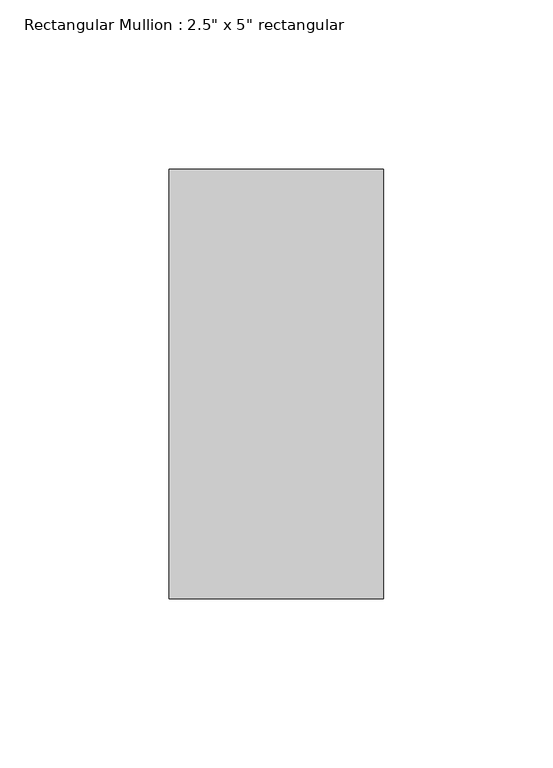
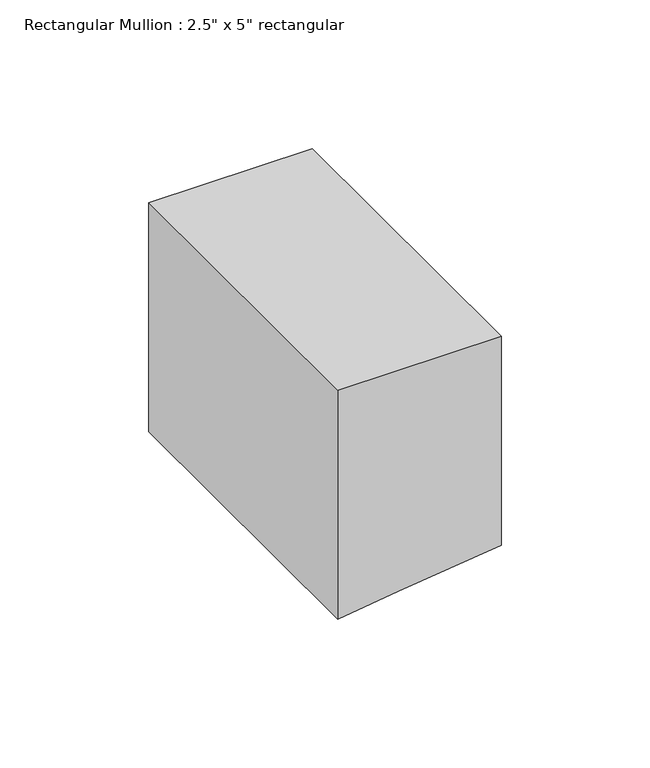
"""IFC4 building model written with IfcOpenShell, lengths in millimetres: member geometry."""

from ifc_helpers import new_model, si_unit, frame, origin, place, context, project, spatial, polyline, outline, extrude, source, transform, mapped, element, save


def member_1f7fe839(model_context):
    return source(origin(), model_context, "Body", "SweptSolid", [
        extrude(outline(polyline([(0.0, 31.75), (0.0, -31.75), (-93.9415275, -31.75), (-90.7577944, -8.1561014), (-85.8056244, 31.75), (0.0, 31.75)])), frame((0.0, -63.5, 0.0), z_axis=(0.0, 1.0, 0.0), x_axis=(0.0, 0.0, 1.0)), (0.0, 0.0, 1.0), 127.0),
    ])


if __name__ == "__main__":
    model = new_model("IFC4")
    model_context = context("Model", 3, world=origin())
    ifc_project = project(units=[si_unit("LENGTHUNIT", "METRE", prefix="MILLI")], contexts=[model_context])
    site = spatial("IfcSite", under=ifc_project)
    building = spatial("IfcBuilding", under=site)
    placement = place(None, origin())
    member_shape = member_1f7fe839(model_context)
    element("IfcMember", 1, ObjectType="Rectangular Mullion : 2.5\" x 5\" rectangular", at=placement, inside=building, context=model_context, shape_type="MappedRepresentation", body=[
        mapped(member_shape, transform((0.0, 0.0, 0.0), x_axis=(1.0, 0.0, 0.0), y_axis=(0.0, 1.0, 0.0), z_axis=(0.0, 0.0, 1.0))),
    ])
    save(model, "model.ifc")
